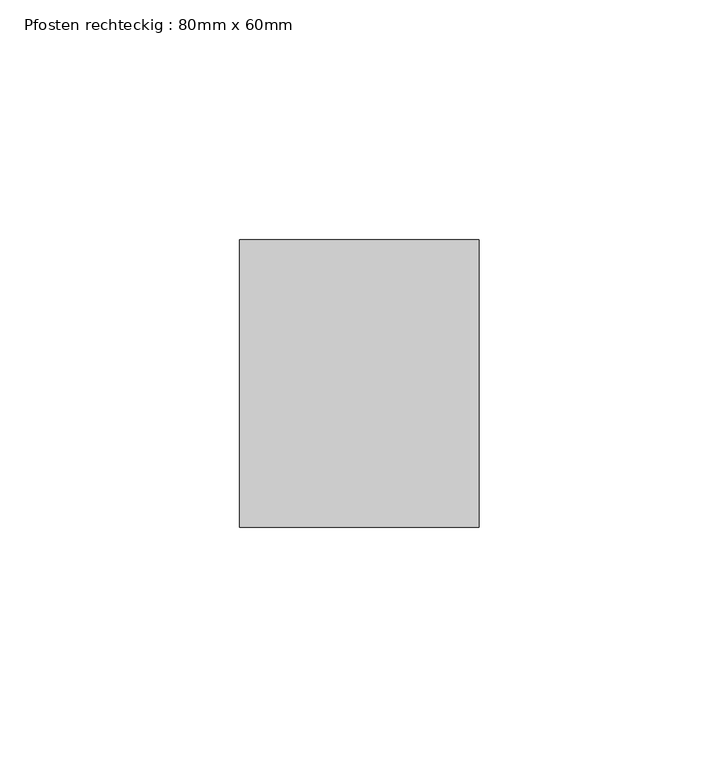
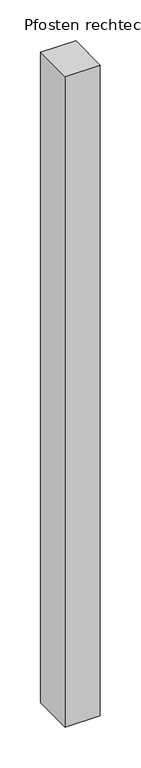
"""IFC4 building model written with IfcOpenShell, lengths in millimetres: member geometry, Pfosten rechteckig : 80mm x 60mm."""

from ifc_helpers import new_model, si_unit, frame, origin, place, context, project, spatial, polyline, outline, extrude, source, transform, mapped, element, save


def pfosten_rechteckig_80mm_x_60mm_8515746c(model_context):
    return source(origin(), model_context, "Body", "SweptSolid", [
        extrude(outline(polyline([(25.0, 30.0), (25.0, -30.0), (-25.0, -30.0), (-25.0, 30.0), (25.0, 30.0)])), frame((0.0, 0.0, -975.0), z_axis=(0.0, 0.0, 1.0), x_axis=(1.0, 0.0, 0.0)), (0.0, 0.0, 1.0), 975.0),
    ])


if __name__ == "__main__":
    model = new_model("IFC4")
    model_context = context("Model", 3, world=origin())
    ifc_project = project(units=[si_unit("LENGTHUNIT", "METRE", prefix="MILLI")], contexts=[model_context])
    site = spatial("IfcSite", under=ifc_project)
    building = spatial("IfcBuilding", under=site)
    placement = place(None, origin())
    pfosten_rechteckig_80mm_x_60mm_shape = pfosten_rechteckig_80mm_x_60mm_8515746c(model_context)
    element("IfcMember", 1, ObjectType="Pfosten rechteckig : 80mm x 60mm", at=placement, inside=building, context=model_context, shape_type="MappedRepresentation", body=[
        mapped(pfosten_rechteckig_80mm_x_60mm_shape, transform((0.0, 0.0, 0.0), x_axis=(1.0, 0.0, 0.0), y_axis=(0.0, 1.0, 0.0), z_axis=(0.0, 0.0, 1.0))),
    ])
    save(model, "model.ifc")
